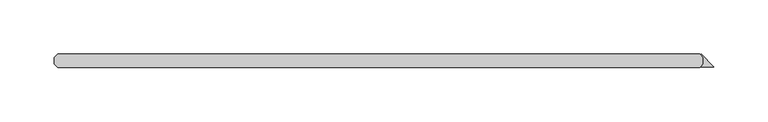
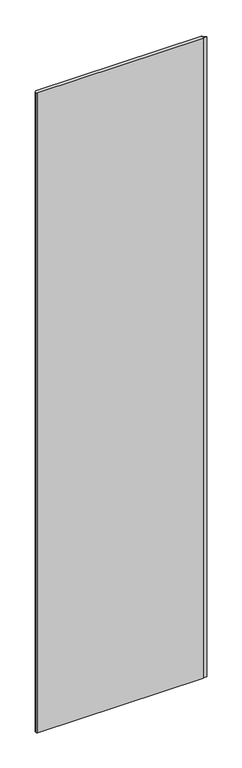
"""IFC4 building model written with IfcOpenShell, lengths in millimetres: plate geometry."""

from ifc_helpers import new_model, si_unit, origin, origin_with_axes, place, context, project, spatial, polyline, outline, extrude, source, transform, mapped, element, save


def plate_a761ebc2(model_context):
    return source(origin(), model_context, "Body", "SweptSolid", [
        extrude(outline(polyline([(282.643093, 26.9875), (282.643093, 33.3375), (280.2196039, 35.7609891), (280.7808699, 36.3222551), (292.496875, 24.60625), (280.261843, 24.60625), (282.643093, 26.9875)])), origin_with_axes(), (0.0, 0.0, 1.0), 2428.7789267),
        extrude(outline(polyline([(279.468093, 23.8125), (-313.928125, 23.8125), (-317.103125, 26.9875), (-317.103125, 33.3375), (-313.928125, 36.5125), (279.468093, 36.5125), (282.643093, 33.3375), (282.643093, 26.9875), (279.468093, 23.8125)])), origin_with_axes(), (0.0, 0.0, 1.0), 2428.7789267),
    ])


if __name__ == "__main__":
    model = new_model("IFC4")
    model_context = context("Model", 3, world=origin())
    ifc_project = project(units=[si_unit("LENGTHUNIT", "METRE", prefix="MILLI")], contexts=[model_context])
    site = spatial("IfcSite", under=ifc_project)
    building = spatial("IfcBuilding", under=site)
    placement = place(None, origin())
    plate_shape = plate_a761ebc2(model_context)
    element("IfcPlate", 1, at=placement, inside=building, context=model_context, shape_type="MappedRepresentation", body=[
        mapped(plate_shape, transform((0.0, 0.0, 0.0), x_axis=(1.0, 0.0, 0.0), y_axis=(0.0, 1.0, 0.0), z_axis=(0.0, 0.0, 1.0))),
    ])
    save(model, "model.ifc")
